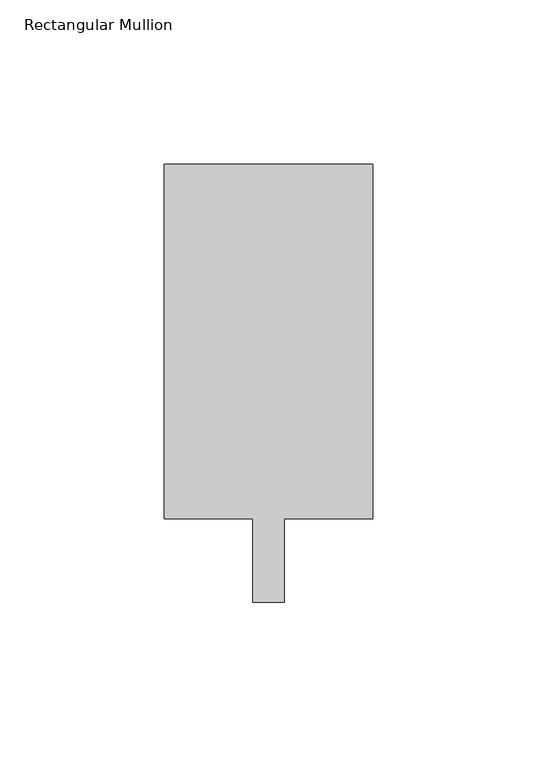
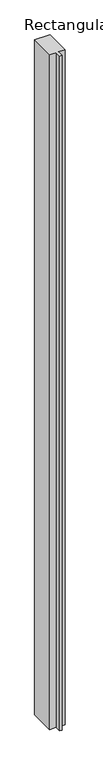
"""IFC4 building model written with IfcOpenShell, lengths in millimetres: member geometry, Rectangular Mullion."""

from ifc_helpers import new_model, si_unit, frame, origin, place, context, project, spatial, polyline, outline, extrude, source, transform, mapped, element, save


def rectangular_mullion_13659594(model_context):
    return source(origin(), model_context, "Body", "SweptSolid", [
        extrude(outline(polyline([(-4.7625, 12.7), (-31.75, 12.7), (-31.75, 120.65), (31.75, 120.65), (31.75, 12.7), (4.7625, 12.7), (4.7625, -12.7), (-4.7625, -12.7), (-4.7625, 12.7)])), frame((0.0, 0.0, -2978.15), z_axis=(0.0, 0.0, 1.0), x_axis=(1.0, 0.0, 0.0)), (0.0, 0.0, 1.0), 2978.15),
    ])


if __name__ == "__main__":
    model = new_model("IFC4")
    model_context = context("Model", 3, world=origin())
    ifc_project = project(units=[si_unit("LENGTHUNIT", "METRE", prefix="MILLI")], contexts=[model_context])
    site = spatial("IfcSite", under=ifc_project)
    building = spatial("IfcBuilding", under=site)
    placement = place(None, origin())
    rectangular_mullion_shape = rectangular_mullion_13659594(model_context)
    element("IfcMember", 1, ObjectType="Rectangular Mullion", at=placement, inside=building, context=model_context, shape_type="MappedRepresentation", body=[
        mapped(rectangular_mullion_shape, transform((0.0, 0.0, 0.0), x_axis=(1.0, 0.0, 0.0), y_axis=(0.0, 1.0, 0.0), z_axis=(0.0, 0.0, 1.0))),
    ])
    save(model, "model.ifc")
